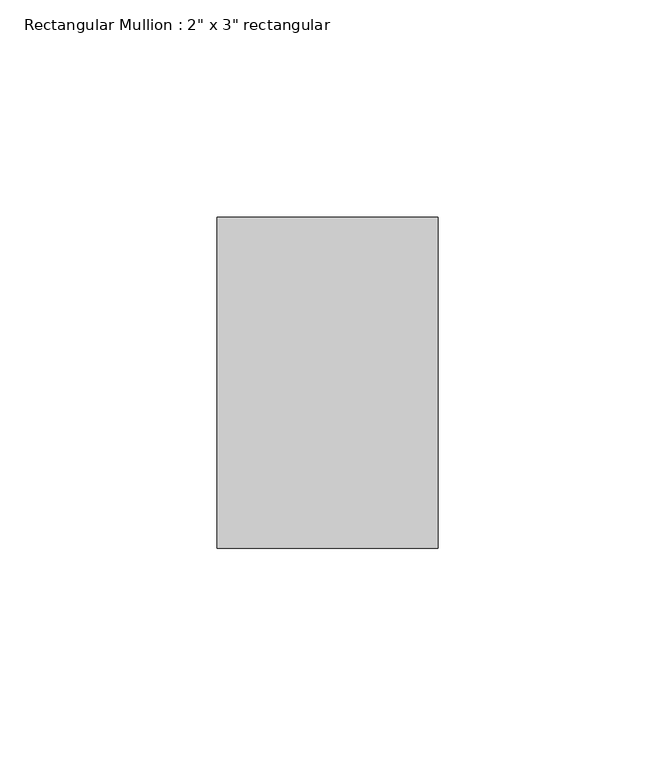
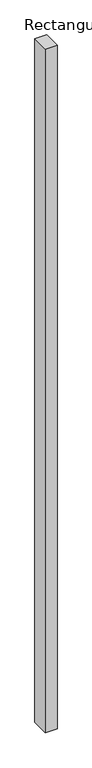
"""IFC4 building model written with IfcOpenShell, lengths in millimetres: member geometry."""

from ifc_helpers import new_model, si_unit, frame, origin, place, context, project, spatial, polyline, outline, extrude, source, transform, mapped, element, save


def member_6282aae9(model_context):
    return source(origin(), model_context, "Body", "SweptSolid", [
        extrude(outline(polyline([(25.4, 38.1), (25.4, -38.1), (-25.4, -38.1), (-25.4, 38.1), (25.4, 38.1)])), frame((0.0, 0.0, -3098.8), z_axis=(0.0, 0.0, 1.0), x_axis=(1.0, 0.0, 0.0)), (0.0, 0.0, 1.0), 3098.8),
    ])


if __name__ == "__main__":
    model = new_model("IFC4")
    model_context = context("Model", 3, world=origin())
    ifc_project = project(units=[si_unit("LENGTHUNIT", "METRE", prefix="MILLI")], contexts=[model_context])
    site = spatial("IfcSite", under=ifc_project)
    building = spatial("IfcBuilding", under=site)
    placement = place(None, origin())
    member_shape = member_6282aae9(model_context)
    element("IfcMember", 1, ObjectType="Rectangular Mullion : 2\" x 3\" rectangular", at=placement, inside=building, context=model_context, shape_type="MappedRepresentation", body=[
        mapped(member_shape, transform((0.0, 0.0, 0.0), x_axis=(1.0, 0.0, 0.0), y_axis=(0.0, 1.0, 0.0), z_axis=(0.0, 0.0, 1.0))),
    ])
    save(model, "model.ifc")
